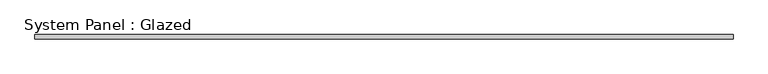
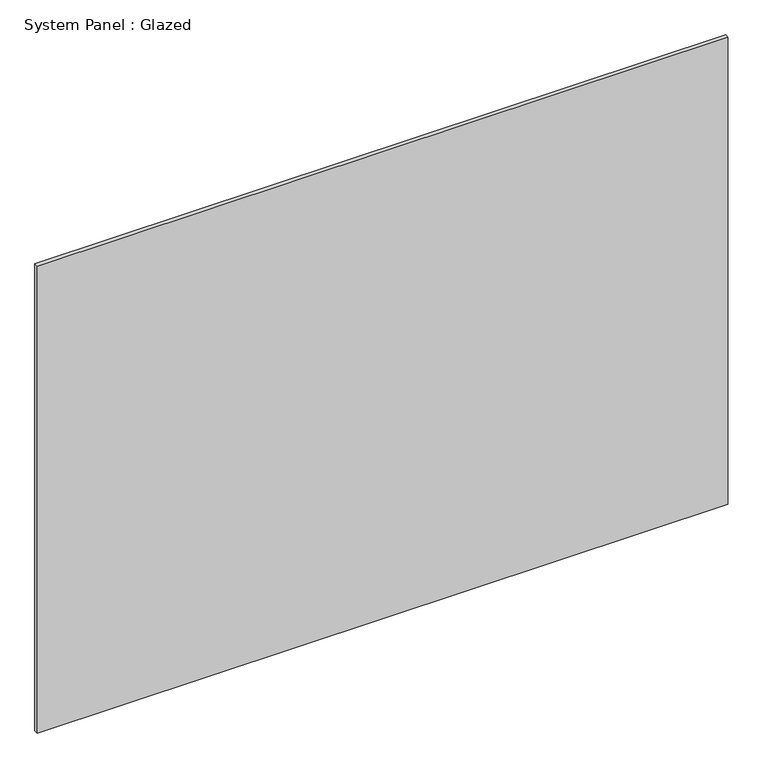
"""IFC4 building model written with IfcOpenShell, lengths in millimetres: plate geometry, System Panel : Glazed."""

from ifc_helpers import new_model, si_unit, origin, origin_with_axes, place, context, project, spatial, polyline, outline, extrude, source, transform, mapped, element, save


def system_panel_glazed_2cf0f923(model_context):
    return source(origin(), model_context, "Body", "SweptSolid", [
        extrude(outline(polyline([(2133.6, 19.05), (-2133.6, 19.05), (-2133.6, 44.45), (2133.6, 44.45), (2133.6, 19.05)])), origin_with_axes(), (0.0, 0.0, 1.0), 3048.0),
    ])


if __name__ == "__main__":
    model = new_model("IFC4")
    model_context = context("Model", 3, world=origin())
    ifc_project = project(units=[si_unit("LENGTHUNIT", "METRE", prefix="MILLI")], contexts=[model_context])
    site = spatial("IfcSite", under=ifc_project)
    building = spatial("IfcBuilding", under=site)
    placement = place(None, origin())
    system_panel_glazed_shape = system_panel_glazed_2cf0f923(model_context)
    element("IfcPlate", 1, ObjectType="System Panel : Glazed", at=placement, inside=building, context=model_context, shape_type="MappedRepresentation", body=[
        mapped(system_panel_glazed_shape, transform((0.0, 0.0, 0.0), x_axis=(1.0, 0.0, 0.0), y_axis=(0.0, 1.0, 0.0), z_axis=(0.0, 0.0, 1.0))),
    ])
    save(model, "model.ifc")
